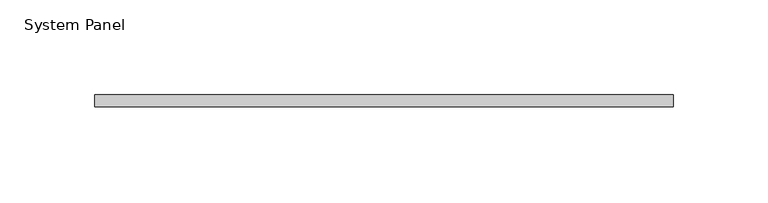
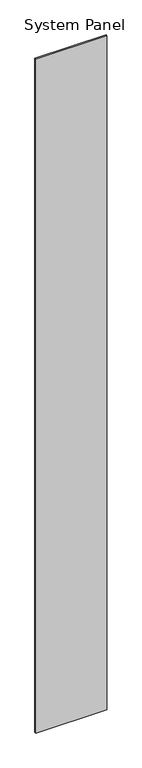
"""IFC4 building model written with IfcOpenShell, lengths in millimetres: plate geometry, System Panel."""

from ifc_helpers import new_model, si_unit, origin, origin_with_axes, place, context, project, spatial, polyline, outline, extrude, source, transform, mapped, element, save


def system_panel_90f40b80(model_context):
    return source(origin(), model_context, "Body", "SweptSolid", [
        extrude(outline(polyline([(152.3975879, -6.35), (-152.3975879, -6.35), (-152.3975879, 0.0), (152.3975879, 0.0), (152.3975879, -6.35)])), origin_with_axes(), (0.0, 0.0, 1.0), 3048.0),
    ])


if __name__ == "__main__":
    model = new_model("IFC4")
    model_context = context("Model", 3, world=origin())
    ifc_project = project(units=[si_unit("LENGTHUNIT", "METRE", prefix="MILLI")], contexts=[model_context])
    site = spatial("IfcSite", under=ifc_project)
    building = spatial("IfcBuilding", under=site)
    placement = place(None, origin())
    system_panel_shape = system_panel_90f40b80(model_context)
    element("IfcPlate", 1, ObjectType="System Panel", at=placement, inside=building, context=model_context, shape_type="MappedRepresentation", body=[
        mapped(system_panel_shape, transform((0.0, 0.0, 0.0), x_axis=(1.0, 0.0, 0.0), y_axis=(0.0, 1.0, 0.0), z_axis=(0.0, 0.0, 1.0))),
    ])
    save(model, "model.ifc")
